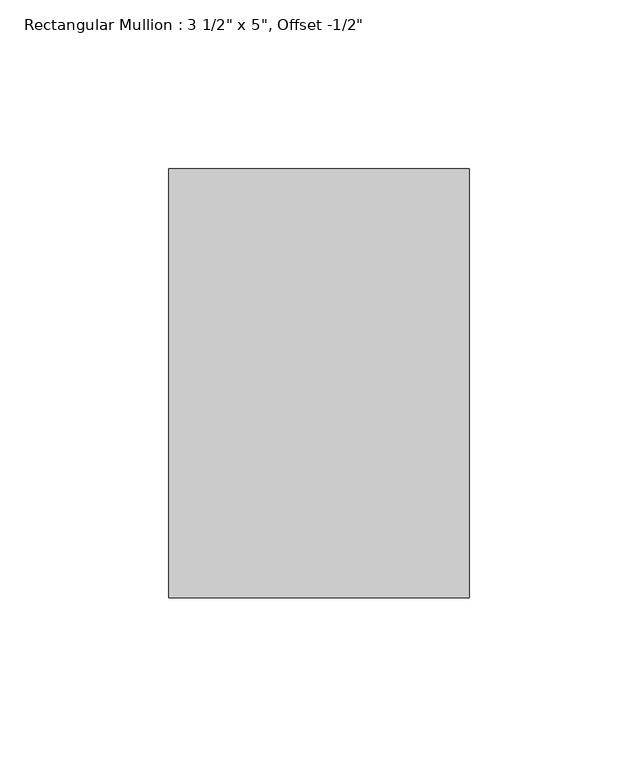
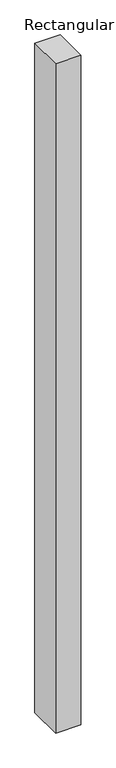
"""IFC4 building model written with IfcOpenShell, lengths in millimetres: member geometry."""

from ifc_helpers import new_model, si_unit, frame, origin, place, context, project, spatial, polyline, outline, extrude, source, transform, mapped, element, save


def member_5c04b475(model_context):
    return source(origin(), model_context, "Body", "SweptSolid", [
        extrude(outline(polyline([(0.0, 76.2), (0.0, -50.8), (-88.9, -50.8), (-88.9, 76.2), (0.0, 76.2)])), frame((0.0, 0.0, -2504.0166667), z_axis=(0.0, 0.0, 1.0), x_axis=(1.0, 0.0, 0.0)), (0.0, 0.0, 1.0), 2504.0166667),
    ])


if __name__ == "__main__":
    model = new_model("IFC4")
    model_context = context("Model", 3, world=origin())
    ifc_project = project(units=[si_unit("LENGTHUNIT", "METRE", prefix="MILLI")], contexts=[model_context])
    site = spatial("IfcSite", under=ifc_project)
    building = spatial("IfcBuilding", under=site)
    placement = place(None, origin())
    member_shape = member_5c04b475(model_context)
    element("IfcMember", 1, ObjectType="Rectangular Mullion : 3 1/2\" x 5\", Offset -1/2\"", at=placement, inside=building, context=model_context, shape_type="MappedRepresentation", body=[
        mapped(member_shape, transform((0.0, 0.0, 0.0), x_axis=(1.0, 0.0, 0.0), y_axis=(0.0, 1.0, 0.0), z_axis=(0.0, 0.0, 1.0))),
    ])
    save(model, "model.ifc")
